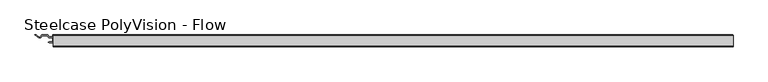
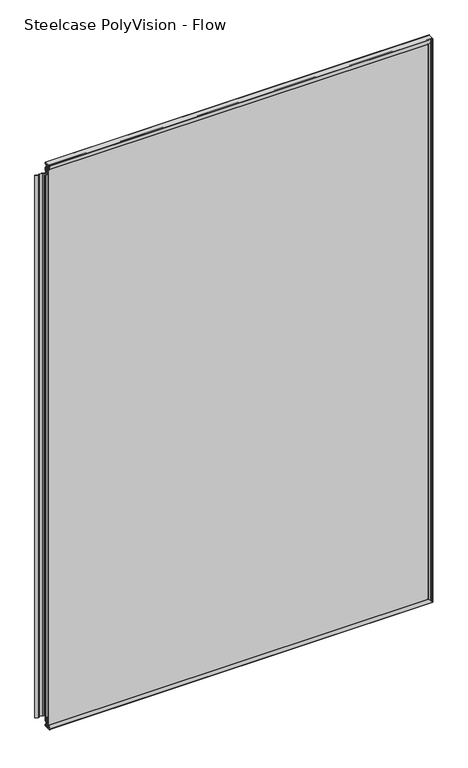
"""IFC4 building model written with IfcOpenShell, lengths in millimetres: furniture geometry, Steelcase PolyVision - Flow."""

from ifc_helpers import new_model, si_unit, point, frame, frame_2d, origin, place, context, project, spatial, polyline, circle_curve, ellipse_curve, trimmed, segment, composite_curve, outline, extrude, source, transform, mapped, element, save
from ifc_brep_helpers import plane_surface, cylinder_surface, revolved_surface, advanced_brep


def steelcase_polyvision_flow_d371d4c1(model_context):
    return source(origin(), model_context, "Body", "SolidModel", [
        extrude(outline(polyline([(-2.1773004, 1827.6977202), (-2.1773004, 1826.8340763), (11.9065147, 1826.8340763), (11.9065147, 1824.149308), (7.6861579, 1824.149308), (7.6861579, 1817.1597246), (11.9065147, 1814.0934559), (11.9065147, 1804.1500962), (8.0075268, 1801.3173157), (7.7813476, 1800.4732034), (9.5131033, 1798.0), (7.5873908, 1798.0), (6.1707503, 1800.0231723), (6.1707503, 1801.7730492), (10.4011044, 1804.8465813), (10.4011044, 1813.2889188), (6.1707503, 1816.3624509), (6.1707503, 1823.2252503), (5.2024973, 1823.2252503), (4.2308366, 1824.3425727), (3.1736041, 1823.2853402), (2.1319224, 1824.3270218), (1.2210895, 1823.2415334), (0.4403969, 1824.2407744), (-0.5343781, 1823.2659994), (-1.3255269, 1823.2659994), (-1.3255269, 1824.7318758), (-2.1773004, 1824.7318758), (-2.1773004, 1823.8660166), (-5.4323759, 1824.6775981), (-5.4323759, 1826.8964971), (-2.1773004, 1827.6977202)])), frame((-587.0671964, 0.0, 0.0), z_axis=(1.0, 0.0, 0.0), x_axis=(0.0, 1.0, 0.0)), (0.0, 0.0, 1.0), 1174.1343929),
        extrude(outline(polyline([(-587.7413843, 0.0476856), (-587.7413843, 6.7743691), (-595.1878129, 6.7743691), (-597.7413843, 10.3493691), (-606.1415584, 10.3493691), (-608.7389479, 6.7743691), (-611.9925808, 6.7743691), (-618.9777191, 11.8493691), (-616.3960682, 11.8493691), (-610.1907804, 7.3409636), (-606.8911765, 11.8824787), (-596.8911765, 11.8824787), (-594.3371154, 8.3067932), (-587.741586, 8.3067932), (-587.741586, 11.8421507), (-586.3411827, 11.8421507), (-586.3411827, 8.3067932), (-579.7456533, 8.3067932), (-577.1915922, 11.8824787), (-567.1915922, 11.8824787), (-563.8919883, 7.3409636), (-557.6867004, 11.8493691), (-555.1050496, 11.8493691), (-562.0901879, 6.7743691), (-565.3438207, 6.7743691), (-567.9412103, 10.3493691), (-576.3413843, 10.3493691), (-578.8949558, 6.7743691), (-586.3413843, 6.7743691), (-586.3413843, 0.0476856), (-579.6671757, 0.0476856), (-578.6671757, -0.9523144), (-579.6671757, -1.9523144), (-594.4155929, -1.9523144), (-595.4155929, -0.9523144), (-594.4155929, 0.0476856), (-587.7413843, 0.0476856)])), frame((0.0, 0.0, 39.0), z_axis=(0.0, 0.0, 1.0), x_axis=(1.0, 0.0, 0.0)), (0.0, 0.0, 1.0), 1759.0),
        advanced_brep(
        [(-587.0671964, -8.6715851, 1.5039281), (-587.0671964, -7.0765247, 14.5698812), (-587.0671964, -6.4849935, 14.4886076), (-587.0671964, -6.7536539, 7.4189873), (-587.0671964, -6.2540145, 6.9), (-587.0671964, -1.2728233, 6.9), (-587.0671964, -1.2728233, 5.9924724), (-587.0671964, -3.0119913, 6.3098412), (-587.0671964, -5.2722627, 6.3098412), (-587.0671964, -6.5482658, 5.9875), (-587.0671964, -6.5482658, 3.45625), (-587.0671964, -4.1898472, 2.8604713), (-587.0671964, -3.6232202, 3.512301), (-587.0671964, -2.5584614, 2.9073862), (-587.0671964, -1.9673188, 3.4985288), (-587.0671964, -1.2361675, 3.0), (-587.0671964, 1.7766235, 3.0), (-587.0671964, 3.5266235, 3.7), (-587.0671964, 11.3266235, 3.7), (-587.0671964, 11.8266235, 3.2), (-587.0671964, 11.8266235, 1.5), (-587.0671964, 11.3266235, 1.0), (-587.0671964, -8.1716005, 1.0), (-587.0671964, -8.6715851, 1829.4960719), (-587.0671964, -8.1716005, 1830.0), (-587.0671964, 11.3266235, 1830.0), (-587.0671964, 11.8266235, 1829.5), (-587.0671964, 11.8266235, 1827.8), (-587.0671964, 11.3266235, 1827.3), (-587.0671964, 3.5266235, 1827.3), (-587.0671964, 1.7766235, 1828.0), (-587.0671964, -1.2361675, 1828.0), (-587.0671964, -1.9673188, 1827.5014712), (-587.0671964, -2.5584614, 1828.0926138), (-587.0671964, -3.6232202, 1827.487699), (-587.0671964, -4.1898472, 1828.1395287), (-587.0671964, -6.5482658, 1827.54375), (-587.0671964, -6.5482658, 1825.0125), (-587.0671964, -5.2722627, 1824.6901588), (-587.0671964, -3.0119913, 1824.6901588), (-587.0671964, -1.2728233, 1825.0075276), (-587.0671964, -1.2728233, 1824.1), (-587.0671964, -6.2540145, 1824.1), (-587.0671964, -6.7536539, 1823.5810127), (-587.0671964, -6.4849935, 1816.5113924), (-587.0671964, -7.0765247, 1816.4301188), (591.9960719, -8.6715851, 1829.4960719), (592.5, -8.1716005, 1830.0), (592.5, 11.3266235, 1830.0), (592.0, 11.8266235, 1829.5), (590.3, 11.8266235, 1827.8), (589.8, 11.3266235, 1827.3), (589.8, 3.5266235, 1827.3), (590.5, 1.7766235, 1828.0), (590.5, -1.2361675, 1828.0), (590.0014712, -1.9673188, 1827.5014712), (590.5926138, -2.5584614, 1828.0926138), (589.987699, -3.6232202, 1827.487699), (590.6395287, -4.1898472, 1828.1395287), (590.04375, -6.5482658, 1827.54375), (587.5125, -6.5482658, 1825.0125), (587.1901588, -5.2722627, 1824.6901588), (587.1901588, -3.0119913, 1824.6901588), (587.5075276, -1.2728233, 1825.0075276), (586.6, -1.2728233, 1824.1), (586.6, -6.2540145, 1824.1), (586.0810127, -6.7536539, 1823.5810127), (579.0113924, -6.4849935, 1816.5113924), (578.9301188, -7.0765247, 1816.4301188), (592.5, -8.1716005, 1.0), (591.9960719, -8.6715851, 1.5039281), (592.5, 11.3266235, 1.0), (592.0, 11.8266235, 1.5), (590.3, 11.8266235, 3.2), (589.8, 11.3266235, 3.7), (589.8, 3.5266235, 3.7), (590.5, 1.7766235, 3.0), (590.5, -1.2361675, 3.0), (590.0014712, -1.9673188, 3.4985288), (590.5926138, -2.5584614, 2.9073862), (589.987699, -3.6232202, 3.512301), (590.6395287, -4.1898472, 2.8604713), (590.04375, -6.5482658, 3.45625), (587.5125, -6.5482658, 5.9875), (587.1901588, -5.2722627, 6.3098412), (587.1901588, -3.0119913, 6.3098412), (587.5075276, -1.2728233, 5.9924724), (586.6, -1.2728233, 6.9), (586.6, -6.2540145, 6.9), (586.0810127, -6.7536539, 7.4189873), (579.0113924, -6.4849935, 14.4886076), (578.9301188, -7.0765247, 14.5698812)],
        [
            (0, 1, circle_curve(frame((-587.0671964, 49.3766235, 1.0478783), z_axis=(-1.0, 0.0, 0.0), x_axis=(0.0, 0.0, 1.0)), 58.05)),
            (1, 2, circle_curve(frame((-587.0671964, -6.7847771, 14.5), z_axis=(-1.0, 0.0, 0.0), x_axis=(0.0, 0.0, 1.0)), 0.3)),
            (2, 3),
            (3, 4, circle_curve(frame((-587.0671964, -6.2540145, 7.4), z_axis=(1.0, 0.0, 0.0), x_axis=(0.0, 0.0, 1.0)), 0.5)),
            (4, 5),
            (5, 6),
            (6, 7),
            (7, 8),
            (8, 9),
            (9, 10),
            (10, 11),
            (11, 12),
            (12, 13),
            (13, 14),
            (14, 15, circle_curve(frame((-587.0671964, -2.1069461, 2.5083247), z_axis=(-1.0, 0.0, 0.0), x_axis=(0.0, 0.0, 1.0)), 1.0)),
            (15, 16),
            (16, 17),
            (17, 18),
            (18, 19, circle_curve(frame((-587.0671964, 11.3266235, 3.2), z_axis=(-1.0, 0.0, 0.0), x_axis=(0.0, 0.0, 1.0)), 0.5)),
            (19, 20),
            (20, 21, circle_curve(frame((-587.0671964, 11.3266235, 1.5), z_axis=(-1.0, 0.0, 0.0), x_axis=(0.0, 0.0, 1.0)), 0.5)),
            (21, 22),
            (22, 0, circle_curve(frame((-587.0671964, -8.1716005, 1.5), z_axis=(-1.0, 0.0, 0.0), x_axis=(0.0, 0.0, 1.0)), 0.5)),
            (23, 24, circle_curve(frame((-587.0671964, -8.1716005, 1829.5), z_axis=(-1.0, 0.0, 0.0), x_axis=(0.0, 0.0, -1.0)), 0.5)),
            (24, 25),
            (25, 26, circle_curve(frame((-587.0671964, 11.3266235, 1829.5), z_axis=(-1.0, 0.0, 0.0), x_axis=(0.0, 0.0, -1.0)), 0.5)),
            (26, 27),
            (27, 28, circle_curve(frame((-587.0671964, 11.3266235, 1827.8), z_axis=(-1.0, 0.0, 0.0), x_axis=(0.0, 0.0, -1.0)), 0.5)),
            (28, 29),
            (29, 30),
            (30, 31),
            (31, 32, circle_curve(frame((-587.0671964, -2.1069461, 1828.4916753), z_axis=(-1.0, 0.0, 0.0), x_axis=(0.0, 0.0, -1.0)), 1.0)),
            (32, 33),
            (33, 34),
            (34, 35),
            (35, 36),
            (36, 37),
            (37, 38),
            (38, 39),
            (39, 40),
            (40, 41),
            (41, 42),
            (42, 43, circle_curve(frame((-587.0671964, -6.2540145, 1823.6), z_axis=(1.0, 0.0, 0.0), x_axis=(0.0, 0.0, -1.0)), 0.5)),
            (43, 44),
            (44, 45, circle_curve(frame((-587.0671964, -6.7847771, 1816.5), z_axis=(-1.0, 0.0, 0.0), x_axis=(0.0, 0.0, -1.0)), 0.3)),
            (45, 23, circle_curve(frame((-587.0671964, 49.3766235, 1829.9521217), z_axis=(-1.0, 0.0, 0.0), x_axis=(0.0, 0.0, -1.0)), 58.05)),
            (46, 47, ellipse_curve(frame((592.0, -8.1716005, 1829.5), z_axis=(-0.7071067811865475, 0.0, 0.7071067811865475), x_axis=(0.7071067811865476, 0.0, 0.7071067811865474)), 0.7071068, 0.5)),
            (47, 24),
            (23, 46),
            (47, 48),
            (48, 25),
            (48, 49, ellipse_curve(frame((592.0, 11.3266235, 1829.5), z_axis=(-0.7071067811865475, 0.0, 0.7071067811865475), x_axis=(0.7071067811865476, 0.0, 0.7071067811865474)), 0.7071068, 0.5)),
            (49, 26),
            (50, 51, ellipse_curve(frame((590.3, 11.3266235, 1827.8), z_axis=(-0.7071067811865475, 0.0, 0.7071067811865475), x_axis=(0.7071067811865476, 0.0, 0.7071067811865474)), 0.7071068, 0.5)),
            (51, 28),
            (27, 50),
            (51, 52),
            (52, 29),
            (52, 53),
            (53, 30),
            (53, 54),
            (54, 31),
            (54, 55, ellipse_curve(frame((590.9916753, -2.1069461, 1828.4916753), z_axis=(-0.7071067811865475, 0.0, 0.7071067811865475), x_axis=(0.7071067811865476, 0.0, 0.7071067811865474)), 1.4142136, 1.0)),
            (55, 32),
            (55, 56),
            (56, 33),
            (56, 57),
            (57, 34),
            (57, 58),
            (58, 35),
            (59, 36),
            (58, 59),
            (60, 61),
            (61, 38),
            (37, 60),
            (61, 62),
            (62, 39),
            (62, 63),
            (63, 40),
            (64, 65),
            (65, 42),
            (41, 64),
            (65, 66, ellipse_curve(frame((586.1, -6.2540145, 1823.6), z_axis=(0.7071067811865475, 0.0, -0.7071067811865475), x_axis=(-0.7071067811865476, 0.0, -0.7071067811865474)), 0.7071068, 0.5)),
            (66, 43),
            (66, 67),
            (67, 44),
            (67, 68, ellipse_curve(frame((579.0, -6.7847771, 1816.5), z_axis=(-0.7071067811865475, 0.0, 0.7071067811865475), x_axis=(0.7071067811865476, 0.0, 0.7071067811865474)), 0.4242641, 0.3)),
            (68, 45),
            (68, 46, ellipse_curve(frame((592.4521217, 49.3766235, 1829.9521217), z_axis=(-0.7071067811865475, 0.0, 0.7071067811865475), x_axis=(0.7071067811865476, 0.0, 0.7071067811865474)), 82.0950973, 58.05)),
            (22, 69),
            (69, 70, ellipse_curve(frame((592.0, -8.1716005, 1.5), z_axis=(-0.7071067811865475, 0.0, -0.7071067811865475), x_axis=(-0.7071067811865476, 0.0, 0.7071067811865474)), 0.7071068, 0.5)),
            (70, 0),
            (21, 71),
            (71, 69),
            (20, 72),
            (72, 71, ellipse_curve(frame((592.0, 11.3266235, 1.5), z_axis=(-0.7071067811865475, 0.0, -0.7071067811865475), x_axis=(-0.7071067811865476, 0.0, 0.7071067811865474)), 0.7071068, 0.5)),
            (19, 73),
            (73, 50),
            (49, 72),
            (18, 74),
            (74, 73, ellipse_curve(frame((590.3, 11.3266235, 3.2), z_axis=(-0.7071067811865475, 0.0, -0.7071067811865475), x_axis=(-0.7071067811865476, 0.0, 0.7071067811865474)), 0.7071068, 0.5)),
            (17, 75),
            (75, 74),
            (16, 76),
            (76, 75),
            (15, 77),
            (77, 76),
            (14, 78),
            (78, 77, ellipse_curve(frame((590.9916753, -2.1069461, 2.5083247), z_axis=(-0.7071067811865475, 0.0, -0.7071067811865475), x_axis=(-0.7071067811865476, 0.0, 0.7071067811865474)), 1.4142136, 1.0)),
            (13, 79),
            (79, 78),
            (12, 80),
            (80, 79),
            (11, 81),
            (81, 80),
            (10, 82),
            (82, 81),
            (9, 83),
            (83, 60),
            (59, 82),
            (8, 84),
            (84, 83),
            (7, 85),
            (85, 84),
            (6, 86),
            (86, 85),
            (5, 87),
            (87, 64),
            (63, 86),
            (4, 88),
            (88, 87),
            (3, 89),
            (89, 88, ellipse_curve(frame((586.1, -6.2540145, 7.4), z_axis=(0.7071067811865475, 0.0, 0.7071067811865475), x_axis=(0.7071067811865476, 0.0, -0.7071067811865474)), 0.7071068, 0.5)),
            (2, 90),
            (90, 89),
            (1, 91),
            (91, 90, ellipse_curve(frame((579.0, -6.7847771, 14.5), z_axis=(-0.7071067811865475, 0.0, -0.7071067811865475), x_axis=(-0.7071067811865476, 0.0, 0.7071067811865474)), 0.4242641, 0.3)),
            (70, 91, ellipse_curve(frame((592.4521217, 49.3766235, 1.0478783), z_axis=(-0.7071067811865475, 0.0, -0.7071067811865475), x_axis=(-0.7071067811865476, 0.0, 0.7071067811865474)), 82.0950973, 58.05)),
            (70, 46),
            (68, 91),
            (67, 90),
            (66, 89),
            (65, 88),
            (62, 85),
            (61, 84),
            (58, 81),
            (57, 80),
            (56, 79),
            (55, 78),
            (54, 77),
            (53, 76),
            (52, 75),
            (51, 74),
            (48, 71),
            (47, 69),
        ],
        [
            plane_surface(frame((-587.0671964, -3.3270175, 1.0), z_axis=(-1.0, 0.0, 0.0), x_axis=(0.0, -1.0, 0.0))),
            plane_surface(frame((-587.0671964, -3.3270175, 1830.0), z_axis=(-1.0, 0.0, 0.0), x_axis=(0.0, -1.0, 0.0))),
            cylinder_surface(frame((592.5, -8.1716005, 1829.5), z_axis=(1.0, 0.0, 0.0), x_axis=(0.0, 0.0, -1.0)), 0.5),
            plane_surface(frame((592.5, 11.3266235, 1830.0), z_axis=(0.0, 0.0, 1.0), x_axis=(-1.0, 0.0, 0.0))),
            cylinder_surface(frame((592.5, 11.3266235, 1829.5), z_axis=(1.0, 0.0, 0.0), x_axis=(0.0, 0.0, -1.0)), 0.5),
            cylinder_surface(frame((592.5, 11.3266235, 1827.8), z_axis=(1.0, 0.0, 0.0), x_axis=(0.0, 0.0, -1.0)), 0.5),
            plane_surface(frame((589.8, 3.5266235, 1827.3), z_axis=(0.0, 0.0, -1.0), x_axis=(-1.0, 0.0, 0.0))),
            plane_surface(frame((590.5, 1.7766235, 1828.0), z_axis=(0.0, -0.3713906763540353, -0.9284766908852868), x_axis=(-1.0, 0.0, 0.0))),
            plane_surface(frame((590.5, -1.2361675, 1828.0), z_axis=(0.0, 0.0, -1.0), x_axis=(-1.0, 0.0, 0.0))),
            cylinder_surface(frame((592.5, -2.1069461, 1828.4916753), z_axis=(1.0, 0.0, 0.0), x_axis=(0.0, 0.0, -1.0)), 1.0),
            plane_surface(frame((590.5926138, -2.5584614, 1828.0926138), z_axis=(0.0, -0.7071067811875535, -0.7071067811855415), x_axis=(-1.0, 0.0, 0.0))),
            plane_surface(frame((589.987699, -3.6232202, 1827.487699), z_axis=(0.0, 0.4939712151291238, -0.8694782565561125), x_axis=(-1.0, 0.0, 0.0))),
            plane_surface(frame((590.6395287, -4.1898472, 1828.1395287), z_axis=(0.0, -0.7547095802230349, -0.656059028990205), x_axis=(-1.0, 0.0, 0.0))),
            plane_surface(frame((590.3487543, -5.3408915, 1827.8487543), z_axis=(0.0, 0.2449237250401696, -0.969542350241828), x_axis=(-1.0, 0.0, 0.0))),
            plane_surface(frame((587.1901588, -5.2722627, 1824.6901588), z_axis=(0.0, 0.244923725041825, 0.9695423502414099), x_axis=(-1.0, 0.0, 0.0))),
            plane_surface(frame((587.1901588, -3.0119913, 1824.6901588), z_axis=(0.0, 0.0, 1.0), x_axis=(-1.0, 0.0, 0.0))),
            plane_surface(frame((587.5075276, -1.2728233, 1825.0075276), z_axis=(0.0, -0.17951862598821372, 0.9837545745374219), x_axis=(-1.0, 0.0, 0.0))),
            plane_surface(frame((586.6, -6.2540145, 1824.1), z_axis=(0.0, 0.0, -1.0), x_axis=(-1.0, 0.0, 0.0))),
            revolved_surface(polyline([(-587.0671963999998, -6.2540145, 1823.1), (586.6000000133031, -6.2540145, 1823.1)]), (592.5, -6.2540145, 1823.6), (-1.0, 0.0, 0.0)),
            plane_surface(frame((579.0113924, -6.4849935, 1816.5113924), z_axis=(0.0, 0.9992787015691392, 0.03797468354437338), x_axis=(-1.0, 0.0, 0.0))),
            cylinder_surface(frame((592.5, -6.7847771, 1816.5), z_axis=(1.0, 0.0, 0.0), x_axis=(0.0, 0.0, -1.0)), 0.3),
            cylinder_surface(frame((592.5, 49.3766235, 1829.9521217), z_axis=(1.0, 0.0, 0.0), x_axis=(0.0, 0.0, -1.0)), 58.05),
            cylinder_surface(frame((-587.0671964, -8.1716005, 1.5), z_axis=(-1.0, 0.0, 0.0), x_axis=(0.0, 0.0, 1.0)), 0.5),
            plane_surface(frame((-587.0671964, 11.3266235, 1.0), z_axis=(0.0, 0.0, -1.0), x_axis=(1.0, 0.0, 0.0))),
            cylinder_surface(frame((-587.0671964, 11.3266235, 1.5), z_axis=(-1.0, 0.0, 0.0), x_axis=(0.0, 0.0, 1.0)), 0.5),
            plane_surface(frame((-587.0671964, 11.8266235, 3.2), z_axis=(0.0, 1.0, 0.0), x_axis=(1.0, 0.0, 0.0))),
            cylinder_surface(frame((-587.0671964, 11.3266235, 3.2), z_axis=(-1.0, 0.0, 0.0), x_axis=(0.0, 0.0, 1.0)), 0.5),
            plane_surface(frame((-587.0671964, 3.5266235, 3.7), z_axis=(0.0, 0.0, 1.0), x_axis=(1.0, 0.0, 0.0))),
            plane_surface(frame((-587.0671964, 1.7766235, 3.0), z_axis=(0.0, -0.37139067635403517, 0.9284766908852868), x_axis=(1.0, 0.0, 0.0))),
            plane_surface(frame((-587.0671964, -1.2361675, 3.0), z_axis=(0.0, 0.0, 1.0), x_axis=(1.0, 0.0, 0.0))),
            cylinder_surface(frame((-587.0671964, -2.1069461, 2.5083247), z_axis=(-1.0, 0.0, 0.0), x_axis=(0.0, 0.0, 1.0)), 1.0),
            plane_surface(frame((-587.0671964, -2.5584614, 2.9073862), z_axis=(0.0, -0.7071067811875534, 0.7071067811855416), x_axis=(1.0, 0.0, 0.0))),
            plane_surface(frame((-587.0671964, -3.6232202, 3.512301), z_axis=(0.0, 0.4939712151291239, 0.8694782565561124), x_axis=(1.0, 0.0, 0.0))),
            plane_surface(frame((-587.0671964, -4.1898472, 2.8604713), z_axis=(0.0, -0.7547095802230349, 0.656059028990205), x_axis=(1.0, 0.0, 0.0))),
            plane_surface(frame((-587.0671964, -5.3408915, 3.1512457), z_axis=(0.0, 0.2449237250401697, 0.969542350241828), x_axis=(1.0, 0.0, 0.0))),
            plane_surface(frame((-587.0671964, -6.5482658, 5.9875), z_axis=(0.0, 1.0, 0.0), x_axis=(1.0, 0.0, 0.0))),
            plane_surface(frame((-587.0671964, -5.2722627, 6.3098412), z_axis=(0.0, 0.24492372504182489, -0.9695423502414099), x_axis=(1.0, 0.0, 0.0))),
            plane_surface(frame((-587.0671964, -3.0119913, 6.3098412), z_axis=(0.0, 0.0, -1.0), x_axis=(1.0, 0.0, 0.0))),
            plane_surface(frame((-587.0671964, -1.2728233, 5.9924724), z_axis=(0.0, -0.17951862598821386, -0.9837545745374219), x_axis=(1.0, 0.0, 0.0))),
            plane_surface(frame((-587.0671964, -1.2728233, 6.9), z_axis=(0.0, 1.0, 0.0), x_axis=(1.0, 0.0, 0.0))),
            plane_surface(frame((-587.0671964, -6.2540145, 6.9), z_axis=(0.0, 0.0, 1.0), x_axis=(1.0, 0.0, 0.0))),
            revolved_surface(polyline([(586.6000000133032, -6.2540145, 7.9), (-587.0671964, -6.2540145, 7.9)]), (-587.0671964, -6.2540145, 7.4), (1.0, 0.0, 0.0)),
            plane_surface(frame((-587.0671964, -6.4849935, 14.4886076), z_axis=(0.0, 0.9992787015691392, -0.03797468354437351), x_axis=(1.0, 0.0, 0.0))),
            cylinder_surface(frame((-587.0671964, -6.7847771, 14.5), z_axis=(-1.0, 0.0, 0.0), x_axis=(0.0, 0.0, 1.0)), 0.3),
            cylinder_surface(frame((-587.0671964, 49.3766235, 1.0478783), z_axis=(-1.0, 0.0, 0.0), x_axis=(0.0, 0.0, 1.0)), 58.05),
            cylinder_surface(frame((592.4521217, 49.3766235, 1.0), z_axis=(0.0, 0.0, -1.0), x_axis=(-1.0, 0.0, 0.0)), 58.05),
            cylinder_surface(frame((579.0, -6.7847771, 1.0), z_axis=(0.0, 0.0, -1.0), x_axis=(-1.0, 0.0, 0.0)), 0.3),
            plane_surface(frame((579.0113924, -6.4849935, 14.4886076), z_axis=(0.03797468354437022, 0.9992787015691393, 0.0), x_axis=(0.0, 0.0, 1.0))),
            revolved_surface(polyline([(585.6, -6.2540145, 1824.100000013303), (585.6, -6.2540145, 6.899999986696881)]), (586.1, -6.2540145, 1.0), (0.0, 0.0, 1.0)),
            plane_surface(frame((586.6, -6.2540145, 6.9), z_axis=(-1.0, 0.0, 0.0), x_axis=(0.0, 0.0, 1.0))),
            plane_surface(frame((587.5075276, -1.2728233, 5.9924724), z_axis=(0.9837545745374224, -0.1795186259882106, 0.0), x_axis=(0.0, 0.0, 1.0))),
            plane_surface(frame((587.1901588, -3.0119913, 6.3098412), z_axis=(1.0, 0.0, 0.0), x_axis=(0.0, 0.0, 1.0))),
            plane_surface(frame((587.1901588, -5.2722627, 6.3098412), z_axis=(0.9695423502414091, 0.24492372504182808, 0.0), x_axis=(0.0, 0.0, 1.0))),
            plane_surface(frame((590.3487543, -5.3408915, 3.1512457), z_axis=(-0.9695423502418288, 0.24492372504016652, 0.0), x_axis=(0.0, 0.0, 1.0))),
            plane_surface(frame((590.6395287, -4.1898472, 2.8604713), z_axis=(-0.6560590289902025, -0.754709580223037, 0.0), x_axis=(0.0, 0.0, 1.0))),
            plane_surface(frame((589.987699, -3.6232202, 3.512301), z_axis=(-0.8694782565561141, 0.493971215129121, 0.0), x_axis=(0.0, 0.0, 1.0))),
            plane_surface(frame((590.5926138, -2.5584614, 2.9073862), z_axis=(-0.7071067811855393, -0.7071067811875558, 0.0), x_axis=(0.0, 0.0, 1.0))),
            cylinder_surface(frame((590.9916753, -2.1069461, 1.0), z_axis=(0.0, 0.0, -1.0), x_axis=(-1.0, 0.0, 0.0)), 1.0),
            plane_surface(frame((590.5, -1.2361675, 3.0), z_axis=(-1.0, 0.0, 0.0), x_axis=(0.0, 0.0, 1.0))),
            plane_surface(frame((590.5, 1.7766235, 3.0), z_axis=(-0.9284766908852856, -0.3713906763540382, 0.0), x_axis=(0.0, 0.0, 1.0))),
            plane_surface(frame((589.8, 3.5266235, 3.7), z_axis=(-1.0, 0.0, 0.0), x_axis=(0.0, 0.0, 1.0))),
            cylinder_surface(frame((590.3, 11.3266235, 1.0), z_axis=(0.0, 0.0, -1.0), x_axis=(-1.0, 0.0, 0.0)), 0.5),
            cylinder_surface(frame((592.0, 11.3266235, 1.0), z_axis=(0.0, 0.0, -1.0), x_axis=(-1.0, 0.0, 0.0)), 0.5),
            plane_surface(frame((592.5, 11.3266235, 1.0), z_axis=(1.0, 0.0, 0.0), x_axis=(0.0, 0.0, 1.0))),
            cylinder_surface(frame((592.0, -8.1716005, 1.0), z_axis=(0.0, 0.0, -1.0), x_axis=(-1.0, 0.0, 0.0)), 0.5),
        ],
        [
            (0, [[1, 2, 3, 4, 5, 6, 7, 8, 9, 10, 11, 12, 13, 14, 15, 16, 17, 18, 19, 20, 21, 22, 23]]),
            (1, [[24, 25, 26, 27, 28, 29, 30, 31, 32, 33, 34, 35, 36, 37, 38, 39, 40, 41, 42, 43, 44, 45, 46]]),
            (2, [[47, 48, -24, 49]]),
            (3, [[50, 51, -25, -48]]),
            (4, [[52, 53, -26, -51]]),
            (5, [[54, 55, -28, 56]]),
            (6, [[57, 58, -29, -55]]),
            (7, [[59, 60, -30, -58]]),
            (8, [[61, 62, -31, -60]]),
            (9, [[63, 64, -32, -62]]),
            (10, [[65, 66, -33, -64]]),
            (11, [[67, 68, -34, -66]]),
            (12, [[69, 70, -35, -68]]),
            (13, [[71, -36, -70, 72]]),
            (14, [[73, 74, -38, 75]]),
            (15, [[76, 77, -39, -74]]),
            (16, [[78, 79, -40, -77]]),
            (17, [[80, 81, -42, 82]]),
            (18, [[83, 84, -43, -81]]),
            (19, [[85, 86, -44, -84]]),
            (20, [[87, 88, -45, -86]]),
            (21, [[89, -49, -46, -88]]),
            (22, [[-23, 90, 91, 92]]),
            (23, [[-22, 93, 94, -90]]),
            (24, [[-21, 95, 96, -93]]),
            (25, [[-20, 97, 98, -56, -27, -53, 99, -95]]),
            (26, [[-19, 100, 101, -97]]),
            (27, [[-18, 102, 103, -100]]),
            (28, [[-17, 104, 105, -102]]),
            (29, [[-16, 106, 107, -104]]),
            (30, [[-15, 108, 109, -106]]),
            (31, [[-14, 110, 111, -108]]),
            (32, [[-13, 112, 113, -110]]),
            (33, [[-12, 114, 115, -112]]),
            (34, [[116, 117, -114, -11]]),
            (35, [[-10, 118, 119, -75, -37, -71, 120, -116]]),
            (36, [[-9, 121, 122, -118]]),
            (37, [[-8, 123, 124, -121]]),
            (38, [[-7, 125, 126, -123]]),
            (39, [[-6, 127, 128, -82, -41, -79, 129, -125]]),
            (40, [[-5, 130, 131, -127]]),
            (41, [[-4, 132, 133, -130]]),
            (42, [[-3, 134, 135, -132]]),
            (43, [[-2, 136, 137, -134]]),
            (44, [[-1, -92, 138, -136]]),
            (45, [[-138, 139, -89, 140]]),
            (46, [[-137, -140, -87, 141]]),
            (47, [[-135, -141, -85, 142]]),
            (48, [[-133, -142, -83, 143]]),
            (49, [[-131, -143, -80, -128]]),
            (50, [[-126, -129, -78, 144]]),
            (51, [[-124, -144, -76, 145]]),
            (52, [[-122, -145, -73, -119]]),
            (53, [[-117, -120, -72, 146]]),
            (54, [[-115, -146, -69, 147]]),
            (55, [[-113, -147, -67, 148]]),
            (56, [[-111, -148, -65, 149]]),
            (57, [[-109, -149, -63, 150]]),
            (58, [[-107, -150, -61, 151]]),
            (59, [[-105, -151, -59, 152]]),
            (60, [[-103, -152, -57, 153]]),
            (61, [[-101, -153, -54, -98]]),
            (62, [[-96, -99, -52, 154]]),
            (63, [[-94, -154, -50, 155]]),
            (64, [[-91, -155, -47, -139]]),
        ],
    ),
        extrude(outline(composite_curve([segment(polyline([(587.1, 11.9013244), (589.8, 11.9013244), (589.8, -1.6455195)]), True, "CONTINUOUS"), segment(trimmed(circle_curve(frame_2d((589.6394284, -2.1699579)), 0.5484695), [point((589.8, -1.6455195))], [point((590.1711928, -2.304291))], False, "CARTESIAN"), True, "CONTINUOUS"), segment(polyline([(590.1711928, -2.304291), (589.9420492, -3.2113669)]), True, "CONTINUOUS"), segment(trimmed(circle_curve(frame_2d((589.4794556, -3.7545459)), 0.7134678), [point((589.9420492, -3.2113669))], [point((590.1711928, -3.929291))], False, "CARTESIAN"), True, "CONTINUOUS"), segment(polyline([(590.1711928, -3.929291), (589.8, -5.3986756), (588.0042411, -5.3986756), (587.5072946, -3.9463196)]), True, "CONTINUOUS"), segment(trimmed(circle_curve(frame_2d((588.3554261, -3.6561181)), 0.8964062), [point((587.5072946, -3.9463196))], [point((587.6426522, -3.1125214))], False, "CARTESIAN"), True, "CONTINUOUS"), segment(polyline([(587.6426522, -3.1125214), (587.3738092, -2.3268115)]), True, "CONTINUOUS"), segment(trimmed(circle_curve(frame_2d((587.8571228, -2.1614381)), 0.5108233), [point((587.3738092, -2.3268115))], [point((587.6927651, -1.6777781))], False, "CARTESIAN"), True, "CONTINUOUS"), segment(polyline([(587.6927651, -1.6777781), (587.5273508, 0.3291062), (586.2, 1.2679911), (587.5038418, 2.1902472), (586.2, 3.2013244), (587.4895571, 4.2013244), (586.3161604, 5.1112467), (585.8739831, 6.2694723), (579.251323, 6.2694723), (576.3, 10.4013244), (567.8, 10.4013244), (564.7776266, 6.1700016), (562.944193, 6.1700016), (556.1267804, 11.0019991)]), True, "CONTINUOUS"), segment(trimmed(circle_curve(frame_2d((556.413169, 11.4060617)), 0.4952627), [point((556.1267804, 11.0019991))], [point((556.413169, 11.9013244))], False, "CARTESIAN"), True, "CONTINUOUS"), segment(polyline([(556.413169, 11.9013244), (557.7, 11.9013244), (563.8928443, 7.5120041), (567.0280732, 11.9013244), (577.0719268, 11.9013244), (580.0719268, 7.7013244), (587.1, 7.7013244), (587.1, 11.9013244)]), True, "CONTINUOUS")], self_intersect=False)), frame((0.0, 0.0, 39.0), z_axis=(0.0, 0.0, 1.0), x_axis=(1.0, 0.0, 0.0)), (0.0, 0.0, 1.0), 1759.0),
        extrude(outline(polyline([(-2.1773004, 3.0522798), (-5.4323759, 3.8535029), (-5.4323759, 6.0724019), (-2.1773004, 6.8839834), (-2.1773004, 6.0181242), (-1.3255269, 6.0181242), (-1.3255269, 7.4840006), (-0.5343781, 7.4840006), (0.4403969, 6.5092256), (1.2210895, 7.5084666), (2.1319224, 6.4229782), (3.1736041, 7.4646598), (4.2308366, 6.4074273), (5.2024973, 7.5247497), (6.1707503, 7.5247497), (6.1707503, 14.3875491), (10.4011044, 17.4610812), (10.4011044, 25.9034187), (6.1707503, 28.9769508), (6.1707503, 30.7268277), (11.9065147, 38.9183482), (11.9065147, 36.1681457), (7.7813476, 30.2767966), (8.0075268, 29.4326843), (11.9065147, 26.5999038), (11.9065147, 16.6565441), (7.6861579, 13.5902754), (7.6861579, 6.600692), (11.9065147, 6.600692), (11.9065147, 3.9159237), (-2.1773004, 3.9159237), (-2.1773004, 3.0522798)])), frame((-587.0671964, 0.0, 0.0), z_axis=(1.0, 0.0, 0.0), x_axis=(0.0, 1.0, 0.0)), (0.0, 0.0, 1.0), 1174.1343929),
        extrude(outline(polyline([(587.0671964, -6.2220176), (587.0671964, -7.0048301), (-587.0671964, -7.0048301), (-587.0671964, -6.2220176), (587.0671964, -6.2220176)])), frame((0.0, 0.0, 7.0), z_axis=(0.0, 0.0, 1.0), x_axis=(1.0, 0.0, 0.0)), (0.0, 0.0, 1.0), 1817.0),
        extrude(outline(polyline([(585.0671964, 5.9853098), (585.0671964, 5.2024973), (-585.0671964, 5.2024973), (-585.0671964, 5.9853098), (585.0671964, 5.9853098)])), frame((0.0, 0.0, 7.0), z_axis=(0.0, 0.0, 1.0), x_axis=(1.0, 0.0, 0.0)), (0.0, 0.0, 1.0), 1817.0),
        extrude(outline(polyline([(585.0671964, 5.2024973), (585.0671964, 0.2355242), (575.0671964, 0.2355242), (575.0671964, -2.1351563), (587.0671964, -2.1351563), (587.0671964, -5.7140707), (-587.0671964, -5.7140707), (-587.0671964, -2.1351563), (-575.0671964, -2.1351563), (-575.0671964, 0.2355242), (-585.0671964, 0.2355242), (-585.0671964, 5.2024973), (585.0671964, 5.2024973)])), frame((0.0, 0.0, 7.0), z_axis=(0.0, 0.0, 1.0), x_axis=(1.0, 0.0, 0.0)), (0.0, 0.0, 1.0), 1817.0),
    ])


if __name__ == "__main__":
    model = new_model("IFC4")
    model_context = context("Model", 3, world=origin())
    ifc_project = project(units=[si_unit("LENGTHUNIT", "METRE", prefix="MILLI")], contexts=[model_context])
    site = spatial("IfcSite", under=ifc_project)
    building = spatial("IfcBuilding", under=site)
    placement = place(None, origin())
    steelcase_polyvision_flow_shape = steelcase_polyvision_flow_d371d4c1(model_context)
    element("IfcFurniture", 1, ObjectType="Steelcase PolyVision - Flow", at=placement, inside=building, context=model_context, shape_type="MappedRepresentation", body=[
        mapped(steelcase_polyvision_flow_shape, transform((0.0, 0.0, 0.0), x_axis=(1.0, 0.0, 0.0), y_axis=(0.0, 1.0, 0.0), z_axis=(0.0, 0.0, 1.0))),
    ])
    save(model, "model.ifc")
